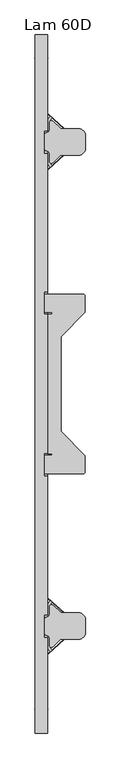
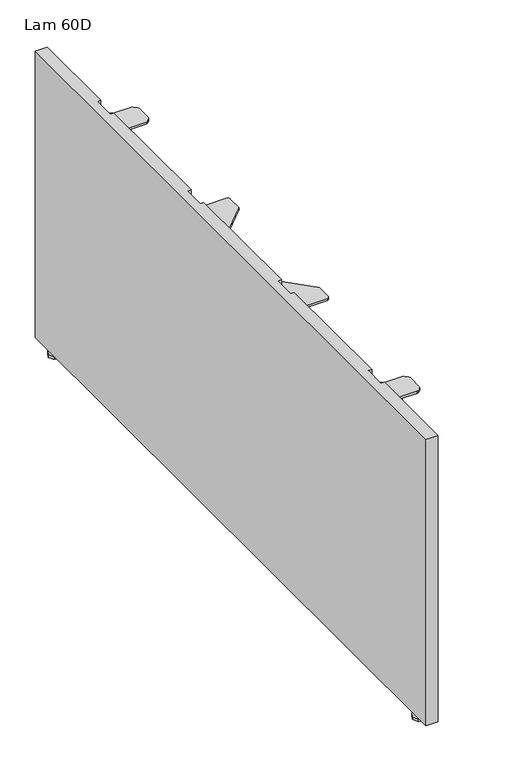
"""IFC4 building model written with IfcOpenShell, lengths in millimetres: furniture geometry, Lam 60D."""

from ifc_helpers import new_model, si_unit, frame, origin, origin_with_axes, place, context, project, spatial, polyline, circle_curve, outline, extrude, faceted_brep, source, transform, mapped, element, save
from ifc_brep_helpers import plane_surface, cylinder_surface, advanced_brep


def lam_60d_b6fa3160(model_context):
    return source(origin(), model_context, "Body", "SolidModel", [
        extrude(outline(polyline([(23.4392507, -543.6027204), (21.9747848, -540.0671804), (21.9747848, -510.0671947), (23.4392507, -506.5316547), (31.1138708, -503.3527297), (32.4747866, -500.0671874), (32.4747866, -483.3659357), (33.3174382, -480.5880893), (35.5613692, -478.7465411), (38.4502372, -478.4620018), (41.0103189, -479.8303957), (55.5103196, -494.3304009), (57.1324362, -495.4142737), (59.045855, -495.7948646), (99.2706073, -495.7948646), (102.7856725, -497.2389807), (109.2198546, -503.5992937), (110.704784, -507.1551813), (110.704784, -542.8554187), (109.0682378, -546.5550293), (102.7551329, -552.2944864), (99.3916845, -553.5948703), (59.045855, -553.5948703), (57.1324362, -553.9754703), (55.5103196, -555.059334), (41.0103189, -569.5593301), (38.4502372, -570.9277241), (35.5613692, -570.6431938), (33.3174382, -568.8016547), (32.4747866, -566.0237992), (32.4747866, -550.0671878), (31.1138708, -546.7816455), (23.4392507, -543.6027204)])), frame((0.0, 0.0, 644.4621162), z_axis=(0.0, 0.0, 1.0), x_axis=(1.0, 0.0, 0.0)), (0.0, 0.0, 1.0), 4.7599566),
        extrude(outline(polyline([(35.3411923, -580.0993951), (31.3631561, -576.1213569), (29.2994785, -573.0328463), (28.5748134, -569.3897002), (28.5748134, -550.6322605), (29.8502511, -545.8722585), (33.3348131, -542.3876965), (56.4392736, -529.0483399), (58.0297198, -527.3336372), (58.6066922, -525.0671876), (58.0297198, -522.800738), (56.4392736, -521.0860534), (33.3348131, -507.7466787), (29.8502511, -504.2621166), (28.5748134, -499.5021238), (28.5748134, -480.7446749), (29.2994785, -477.1015289), (31.3631561, -474.0130183), (35.1238074, -470.252373), (38.6446547, -473.4631756), (34.7289845, -477.3788375), (33.6971457, -478.9230928), (33.3348131, -480.7446749), (33.3348131, -499.5136601), (33.9725308, -501.8936747), (35.7148118, -503.6359557), (58.5947925, -516.8457054), (62.0591658, -520.3121907), (63.3348147, -525.0671876), (62.0591658, -529.8221844), (58.5748128, -533.3002061), (35.7148118, -546.4984376), (33.9725308, -548.2407095), (33.3348131, -550.620715), (33.3348131, -569.3897002), (33.6971457, -571.2112732), (34.7289845, -572.7555285), (38.8370223, -576.8635664), (35.3411923, -580.0993951)])), frame((0.0, 0.0, 441.262092), z_axis=(0.0, 0.0, 1.0), x_axis=(1.0, 0.0, 0.0)), (0.0, 0.0, 1.0), 203.2000242),
        extrude(outline(polyline([(28.4047861, -585.8551105), (28.4047861, -573.4851079), (29.1921861, -573.4851079), (29.1921861, -585.7910708), (65.4573843, -552.2230858), (65.4573843, -497.9147836), (29.1921861, -464.8430887), (29.1921861, -477.149273), (28.4047861, -477.149273), (28.4047861, -464.7792795), (29.7087331, -464.248498), (66.2447843, -497.5671946), (66.2447843, -552.5671896), (29.7087331, -586.385883), (28.4047861, -585.8551105)])), frame((0.0, 0.0, 436.4620943), z_axis=(0.0, 0.0, 1.0), x_axis=(1.0, 0.0, 0.0)), (0.0, 0.0, 1.0), 208.0000219),
        extrude(outline(polyline([(23.4459002, 543.5519204), (31.1205203, 546.7308455), (32.4814361, 550.0163878), (32.4814361, 565.9729992), (33.3240877, 568.7508547), (35.5680186, 570.5923938), (38.4568866, 570.8769241), (41.0169684, 569.5085301), (55.516969, 555.008534), (57.1390857, 553.9246703), (59.0525045, 553.5440703), (99.398334, 553.5440703), (102.7617824, 552.2436864), (109.0748872, 546.5042293), (110.7114334, 542.8046187), (110.7114334, 507.1043813), (109.2265041, 503.5484937), (102.792322, 497.1881807), (99.2772567, 495.7440646), (59.0525045, 495.7440646), (57.1390857, 495.3634737), (55.516969, 494.2796009), (41.0169684, 479.7795957), (38.4568866, 478.4112018), (35.5680186, 478.6957411), (33.3240877, 480.5372893), (32.4814361, 483.3151357), (32.4814361, 500.0163874), (31.1205203, 503.3019297), (23.4459002, 506.4808547), (21.9814343, 510.0163947), (21.9814343, 540.0163804), (23.4459002, 543.5519204)])), frame((0.0, 0.0, 644.4621162), z_axis=(0.0, 0.0, 1.0), x_axis=(1.0, 0.0, 0.0)), (0.0, 0.0, 1.0), 4.7599566),
        extrude(outline(polyline([(35.3478417, 580.0485951), (38.8436718, 576.8127664), (34.7356339, 572.7047285), (33.7037951, 571.1604732), (33.3414626, 569.3389002), (33.3414626, 550.569915), (33.9791803, 548.1899095), (35.7214613, 546.4476376), (58.5814622, 533.2494061), (62.0658153, 529.7713844), (63.3414642, 525.0163876), (62.0658153, 520.2613907), (58.6014419, 516.7949054), (35.7214613, 503.5851557), (33.9791803, 501.8428747), (33.3414626, 499.4628601), (33.3414626, 480.6938749), (33.7037951, 478.8722928), (34.7356339, 477.3280375), (38.6513042, 473.4123756), (35.1304568, 470.201573), (31.3698056, 473.9622183), (29.306128, 477.0507289), (28.5814629, 480.6938749), (28.5814629, 499.4513238), (29.8569006, 504.2113166), (33.3414626, 507.6958787), (56.4459231, 521.0352534), (58.0363692, 522.749938), (58.6133416, 525.0163876), (58.0363692, 527.2828372), (56.4459231, 528.9975399), (33.3414626, 542.3368965), (29.8569006, 545.8214585), (28.5814629, 550.5814605), (28.5814629, 569.3389002), (29.306128, 572.9820463), (31.3698056, 576.0705569), (35.3478417, 580.0485951)])), frame((0.0, 0.0, 441.262092), z_axis=(0.0, 0.0, 1.0), x_axis=(1.0, 0.0, 0.0)), (0.0, 0.0, 1.0), 203.2000242),
        extrude(outline(polyline([(28.4114356, 585.8043105), (29.7153826, 586.335083), (66.2514337, 552.5163896), (66.2514337, 497.5163946), (29.7153826, 464.197698), (28.4114356, 464.7284795), (28.4114356, 477.098473), (29.1988356, 477.098473), (29.1988356, 464.7922887), (65.4640337, 497.8639836), (65.4640337, 552.1722858), (29.1988356, 585.7402708), (29.1988356, 573.4343079), (28.4114356, 573.4343079), (28.4114356, 585.8043105)])), frame((0.0, 0.0, 436.4620943), z_axis=(0.0, 0.0, 1.0), x_axis=(1.0, 0.0, 0.0)), (0.0, 0.0, 1.0), 208.0000219),
        advanced_brep(
        [(20.47661, 194.9906987, 649.2209827), (20.47661, 154.9907031, 649.2209827), (38.0125468, 154.9907031, 649.2209827), (38.0125468, 150.9907019, 649.2209827), (28.1310755, 150.9907019, 649.2209827), (28.1310755, -151.0092964, 649.2209827), (38.2109843, -151.0092964, 649.2209827), (38.2109843, -155.0093066, 649.2209827), (20.47661, -155.0093066, 649.2209827), (20.47661, -195.0092996, 649.2209827), (105.4553603, -195.0092996, 649.2209827), (110.455079, -190.0093936, 649.2209827), (110.455079, -155.1695916, 649.2209827), (57.45461, -102.1691181, 649.2209827), (57.45461, 102.1506977, 649.2209827), (110.45461, 155.1507023, 649.2209827), (110.45461, 189.8139415, 649.2209827), (105.4577339, 194.9906987, 649.2209827), (20.47661, 194.9906987, 644.4409693), (105.4577339, 194.9906987, 644.4409693), (110.45461, 189.8139415, 644.4409693), (110.45461, 155.1507023, 644.4409693), (57.45461, 102.1506977, 644.4409693), (57.45461, -102.1691181, 644.4409693), (110.455079, -155.1695916, 644.4409693), (110.455079, -190.0093936, 644.4409693), (105.4553603, -195.0091124, 644.4409693), (20.47661, -195.0092996, 644.4409693), (20.47661, -155.0093066, 644.4409693), (38.2109843, -155.0093066, 644.4409693), (38.2109843, -151.0092964, 644.4409693), (28.1310755, -151.0092964, 644.4409693), (28.1310755, 150.9907019, 644.4409693), (38.0125468, 150.9907019, 644.4409693), (38.0125468, 154.9907031, 644.4409693), (20.47661, 154.9907031, 644.4409693)],
        [
            (0, 1),
            (1, 2),
            (2, 3),
            (3, 4),
            (4, 5),
            (5, 6),
            (6, 7),
            (7, 8),
            (8, 9),
            (9, 10),
            (10, 11, circle_curve(frame((105.4553603, -190.0093936, 649.2209827), z_axis=(0.0, 0.0, 1.0), x_axis=(1.0, 0.0, 0.0)), 4.9997187)),
            (11, 12),
            (12, 13),
            (13, 14),
            (14, 15),
            (15, 16),
            (16, 17, circle_curve(frame((105.4577339, 189.9906974, 649.2209827), z_axis=(0.0, 0.0, 1.0), x_axis=(1.0, 0.0, 0.0)), 5.0000013)),
            (17, 0),
            (18, 19),
            (19, 20, circle_curve(frame((105.4577339, 189.9906974, 644.4409693), z_axis=(0.0, 0.0, -1.0), x_axis=(1.0, 0.0, 0.0)), 5.0000013)),
            (20, 21),
            (21, 22),
            (22, 23),
            (23, 24),
            (24, 25),
            (25, 26, circle_curve(frame((105.4553603, -190.0093936, 644.4409693), z_axis=(0.0, 0.0, -1.0), x_axis=(1.0, 0.0, 0.0)), 4.9997187)),
            (26, 27),
            (27, 28),
            (28, 29),
            (29, 30),
            (30, 31),
            (31, 32),
            (32, 33),
            (33, 34),
            (34, 35),
            (35, 18),
            (0, 18),
            (35, 1),
            (34, 2),
            (33, 3),
            (32, 4),
            (31, 5),
            (30, 6),
            (29, 7),
            (28, 8),
            (27, 9),
            (26, 10),
            (11, 25),
            (24, 12),
            (23, 13),
            (22, 14),
            (21, 15),
            (20, 16),
            (17, 19),
        ],
        [
            plane_surface(frame((20.47661, 194.9906987, 649.2209827), z_axis=(0.0, 0.0, 1.0), x_axis=(0.0, -1.0, 0.0))),
            plane_surface(frame((20.47661, 194.9906987, 644.4409693), z_axis=(0.0, 0.0, -1.0), x_axis=(0.0, 1.0, 0.0))),
            plane_surface(frame((20.47661, 194.9906987, 649.2209827), z_axis=(-1.0, 0.0, 0.0), x_axis=(0.0, 0.0, -1.0))),
            plane_surface(frame((20.47661, 154.9907031, 649.2209827), z_axis=(0.0, -1.0, 0.0), x_axis=(0.0, 0.0, -1.0))),
            plane_surface(frame((38.0125468, 154.9907031, 649.2209827), z_axis=(-1.0, 0.0, 0.0), x_axis=(0.0, 0.0, -1.0))),
            plane_surface(frame((38.0125468, 150.9907019, 649.2209827), z_axis=(0.0, 1.0, 0.0), x_axis=(0.0, 0.0, -1.0))),
            plane_surface(frame((28.1310755, 150.9907019, 649.2209827), z_axis=(-1.0, 0.0, 0.0), x_axis=(0.0, 0.0, -1.0))),
            plane_surface(frame((28.1310755, -151.0092964, 649.2209827), z_axis=(0.0, -1.0, 0.0), x_axis=(0.0, 0.0, -1.0))),
            plane_surface(frame((38.2109843, -151.0092964, 649.2209827), z_axis=(-1.0, 0.0, 0.0), x_axis=(0.0, 0.0, -1.0))),
            plane_surface(frame((38.2109843, -155.0093066, 649.2209827), z_axis=(0.0, 1.0, 0.0), x_axis=(0.0, 0.0, -1.0))),
            plane_surface(frame((20.47661, -155.0093066, 649.2209827), z_axis=(-1.0, 0.0, 0.0), x_axis=(0.0, 0.0, -1.0))),
            plane_surface(frame((20.47661, -195.0092996, 649.2209827), z_axis=(0.0, -1.0, 0.0), x_axis=(0.0, 0.0, -1.0))),
            plane_surface(frame((110.455079, -190.0093936, 649.2209827), z_axis=(1.0, 0.0, 0.0), x_axis=(0.0, 0.0, -1.0))),
            plane_surface(frame((110.455079, -155.1695916, 649.2209827), z_axis=(0.7071068114845611, 0.7071067508885327, 0.0), x_axis=(0.0, 0.0, -1.0))),
            plane_surface(frame((57.45461, -102.1691181, 649.2209827), z_axis=(1.0, 0.0, 0.0), x_axis=(0.0, 0.0, -1.0))),
            plane_surface(frame((57.45461, 102.1506977, 649.2209827), z_axis=(0.7071068114845609, -0.7071067508885329, 0.0), x_axis=(0.0, 0.0, -1.0))),
            plane_surface(frame((110.45461, 155.1507023, 649.2209827), z_axis=(1.0, 0.0, 0.0), x_axis=(0.0, 0.0, -1.0))),
            plane_surface(frame((105.4577339, 194.9906987, 649.2209827), z_axis=(0.0, 1.0, 0.0), x_axis=(0.0, 0.0, -1.0))),
            cylinder_surface(frame((105.4553603, -190.0093936, 644.4409693), z_axis=(0.0, 0.0, 1.0), x_axis=(1.0, 0.0, 0.0)), 4.9997187),
            cylinder_surface(frame((105.4577339, 189.9906974, 644.4409693), z_axis=(0.0, 0.0, 1.0), x_axis=(1.0, 0.0, 0.0)), 5.0000013),
        ],
        [
            (0, [[1, 2, 3, 4, 5, 6, 7, 8, 9, 10, 11, 12, 13, 14, 15, 16, 17, 18]]),
            (1, [[19, 20, 21, 22, 23, 24, 25, 26, 27, 28, 29, 30, 31, 32, 33, 34, 35, 36]]),
            (2, [[-1, 37, -36, 38]]),
            (3, [[-2, -38, -35, 39]]),
            (4, [[-3, -39, -34, 40]]),
            (5, [[-4, -40, -33, 41]]),
            (6, [[-5, -41, -32, 42]]),
            (7, [[-6, -42, -31, 43]]),
            (8, [[-7, -43, -30, 44]]),
            (9, [[-8, -44, -29, 45]]),
            (10, [[-9, -45, -28, 46]]),
            (11, [[-10, -46, -27, 47]]),
            (12, [[-12, 48, -25, 49]]),
            (13, [[-13, -49, -24, 50]]),
            (14, [[-14, -50, -23, 51]]),
            (15, [[-15, -51, -22, 52]]),
            (16, [[-16, -52, -21, 53]]),
            (17, [[-18, 54, -19, -37]]),
            (18, [[-11, -47, -26, -48]]),
            (19, [[-17, -53, -20, -54]]),
        ],
    ),
        extrude(outline(polyline([(10.3584378, -706.165243), (12.7396878, -702.0407946), (17.5021878, -702.0407946), (19.8834367, -706.165243), (17.5021878, -710.289687), (12.7396878, -710.289687), (10.3584378, -706.165243)])), origin_with_axes(), (0.0, 0.0, 1.0), 15.9766002),
        extrude(outline(polyline([(0.8334375, -705.371493), (7.1834375, -692.6714915), (23.0584382, -692.6714915), (29.4084367, -705.371493), (23.0584382, -718.07149), (7.1834375, -718.07149), (0.8334375, -705.371493)])), origin_with_axes(), (0.0, 0.0, 1.0), 6.2484002),
        faceted_brep([(28.4497364, 756.7803, 692.988224), (1.7797363, 756.7803, 692.988224), (1.7797363, -756.7803, 692.988224), (28.4497364, -756.7803, 692.988224), (28.4497364, -549.7370223, 692.988224), (20.7597368, -549.7370223, 692.988224), (20.7597368, -500.2735777, 692.988224), (28.4497364, -500.2735777, 692.988224), (28.4497364, -199.7297203, 692.988224), (20.7597368, -199.7297203, 692.988224), (20.7597368, -150.3013147, 692.988224), (28.4497364, -150.3013147, 692.988224), (28.4497364, 150.6981897, 692.988224), (20.7597368, 150.6981897, 692.988224), (20.7597368, 200.1265953, 692.988224), (28.4497364, 200.1265953, 692.988224), (28.4497364, 499.4277379, 692.988224), (20.7597368, 499.4277379, 692.988224), (20.7597368, 548.8911824, 692.988224), (28.4497364, 548.8911824, 692.988224), (28.4497364, 756.7803, 15.9766002), (28.4497364, -756.7803, 15.9766002), (1.7797363, -756.7803, 15.9766002), (1.7797363, 756.7803, 15.9766002), (28.4497364, 548.8911824, 628.5577734), (28.4497364, 499.4277379, 628.5577734), (28.4497364, 200.1265953, 628.5577734), (28.4497364, 150.6981897, 628.5577734), (28.4497364, -150.3013147, 628.5577734), (28.4497364, -199.7297203, 628.5577734), (28.4497364, -500.2735777, 628.5577734), (28.4497364, -549.7370223, 628.5577734), (20.7597368, 200.1265953, 628.5577734), (20.7597368, 150.6981897, 628.5577734), (20.7597368, -150.3013147, 628.5577734), (20.7597368, -199.7297203, 628.5577734), (20.7597368, -500.2735777, 628.5577734), (20.7597368, -549.7370223, 628.5577734), (20.7597368, 548.8911824, 628.5577734), (20.7597368, 499.4277379, 628.5577734)], [[[0, 1, 2, 3, 4, 5, 6, 7, 8, 9, 10, 11, 12, 13, 14, 15, 16, 17, 18, 19]], [[20, 21, 22, 23]], [[1, 0, 20, 23]], [[2, 1, 23, 22]], [[3, 2, 22, 21]], [[21, 20, 0, 19, 24, 25, 16, 15, 26, 27, 12, 11, 28, 29, 8, 7, 30, 31, 4, 3]], [[26, 32, 33, 27]], [[32, 26, 15, 14]], [[33, 32, 14, 13]], [[27, 33, 13, 12]], [[28, 34, 35, 29]], [[29, 35, 9, 8]], [[35, 34, 10, 9]], [[34, 28, 11, 10]], [[30, 36, 37, 31]], [[31, 37, 5, 4]], [[37, 36, 6, 5]], [[36, 30, 7, 6]], [[24, 38, 39, 25]], [[38, 24, 19, 18]], [[39, 38, 18, 17]], [[25, 39, 17, 16]]]),
        extrude(outline(polyline([(10.3584378, 706.0660243), (12.7396878, 710.1904682), (17.5021878, 710.1904682), (19.8834367, 706.0660243), (17.5021878, 701.9415758), (12.7396878, 701.9415758), (10.3584378, 706.0660243)])), origin_with_axes(), (0.0, 0.0, 1.0), 15.9766002),
        extrude(outline(polyline([(0.8334375, 706.0660243), (7.1834375, 718.7660213), (23.0584382, 718.7660213), (29.4084367, 706.0660243), (23.0584382, 693.3660228), (7.1834375, 693.3660228), (0.8334375, 706.0660243)])), origin_with_axes(), (0.0, 0.0, 1.0), 6.2484002),
    ])


if __name__ == "__main__":
    model = new_model("IFC4")
    model_context = context("Model", 3, world=origin())
    ifc_project = project(units=[si_unit("LENGTHUNIT", "METRE", prefix="MILLI")], contexts=[model_context])
    site = spatial("IfcSite", under=ifc_project)
    building = spatial("IfcBuilding", under=site)
    placement = place(None, origin())
    lam_60d_shape = lam_60d_b6fa3160(model_context)
    element("IfcFurniture", 1, ObjectType="Lam 60D", at=placement, inside=building, context=model_context, shape_type="MappedRepresentation", body=[
        mapped(lam_60d_shape, transform((0.0, 0.0, 0.0), x_axis=(1.0, 0.0, 0.0), y_axis=(0.0, 1.0, 0.0), z_axis=(0.0, 0.0, 1.0))),
    ])
    save(model, "model.ifc")
